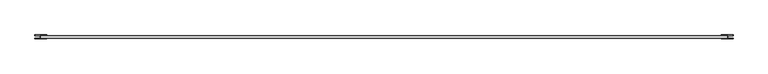
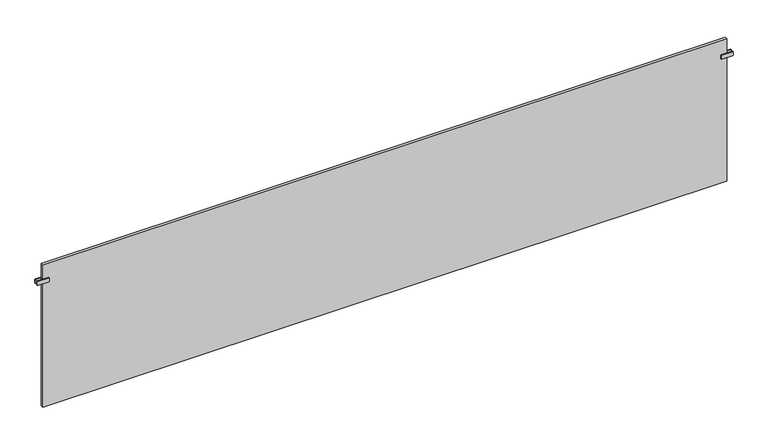
"""IFC4 building model written with IfcOpenShell, lengths in millimetres: plate geometry."""

import ifcopenshell
import ifcopenshell.guid

model = None  # the IFC model being written
_history = None  # IfcOwnerHistory: only IFC2X3 demands one
_inside = {}  # id of a spatial element -> (the spatial element, [elements in it])
_under = {}  # id of a project, library or spatial element -> (it, [spatial elements below it])
_declared = {}  # id of a project -> (the project, [libraries it declares])
_typed = {}  # id of a type object -> (the type object, [elements of that type])
_made_of = {}  # id of a material, layer set ... -> (it, [elements and type objects made of it])


def new_model(schema):
    """Start an empty IFC model of exactly this schema.

    Asked for "IFC4X3", IfcOpenShell would pick the latest addendum, in which some entities
    have other attributes; the version numbers below select the first issue.
    IFC2X3 requires an IfcOwnerHistory on every rooted entity: one is made here for all.
    """
    global model, _history
    if schema == "IFC4X3":
        model = ifcopenshell.file(schema_version=(4, 3, 0, 0))
    else:
        model = ifcopenshell.file(schema=schema)
    _inside.clear()
    _under.clear()
    _declared.clear()
    _typed.clear()
    _made_of.clear()
    _history = None
    if model.schema == "IFC2X3":
        org = make("IfcOrganization", Name="unknown")
        user = make(
            "IfcPersonAndOrganization",
            ThePerson=make("IfcPerson", FamilyName="unknown"),
            TheOrganization=org,
        )
        app = make(
            "IfcApplication",
            ApplicationDeveloper=org,
            Version="unknown",
            ApplicationFullName="unknown",
            ApplicationIdentifier="unknown",
        )
        _history = make(
            "IfcOwnerHistory",
            OwningUser=user,
            OwningApplication=app,
            ChangeAction="ADDED",
            CreationDate=0,
        )
    return model


def make(cls, **values):
    """One entity of the class cls with the attributes given. An attribute that is None is left unset."""
    return model.create_entity(
        cls, **{name: value for name, value in values.items() if value is not None}
    )


def rooted(cls, **values):
    """An entity with a GlobalId (a new one), such as an element, a storey or a relation."""
    return make(cls, GlobalId=ifcopenshell.guid.new(), OwnerHistory=_history, **values)


def si_unit(unit_type, name, prefix=None):
    """IfcSIUnit, for example si_unit("LENGTHUNIT", "METRE", prefix="MILLI")."""
    return make("IfcSIUnit", UnitType=unit_type, Prefix=prefix, Name=name)


def assignment(units):
    """IfcUnitAssignment: the units of a project."""
    return None if units is None else make("IfcUnitAssignment", Units=units)


def point(xyz):
    """IfcCartesianPoint."""
    return None if xyz is None else make("IfcCartesianPoint", Coordinates=xyz)


def direction(xyz):
    """IfcDirection."""
    return None if xyz is None else make("IfcDirection", DirectionRatios=xyz)


def frame(location, z_axis=None, x_axis=None):
    """IfcAxis2Placement3D, a coordinate frame: its origin and axes. An axis left out is left unset."""
    return make(
        "IfcAxis2Placement3D",
        Location=point(location),
        Axis=direction(z_axis),
        RefDirection=direction(x_axis),
    )


def frame_2d(location, x_axis=None):
    """IfcAxis2Placement2D, a coordinate frame in the plane: its origin and x axis."""
    return make(
        "IfcAxis2Placement2D", Location=point(location), RefDirection=direction(x_axis)
    )


def origin():
    """The frame at (0, 0, 0) with its axes left unset."""
    return frame((0.0, 0.0, 0.0))


def origin_with_axes():
    """The frame at (0, 0, 0) with the z axis (0, 0, 1) and the x axis (1, 0, 0) written out."""
    return frame((0.0, 0.0, 0.0), z_axis=(0.0, 0.0, 1.0), x_axis=(1.0, 0.0, 0.0))


def place(relative_to, where):
    """IfcLocalPlacement: puts the frame where relative to a parent placement (None: the world)."""
    return make(
        "IfcLocalPlacement", PlacementRelTo=relative_to, RelativePlacement=where
    )


def context(
    kind, dimensions, precision=None, world=None, true_north=None, identifier=None
):
    """IfcGeometricRepresentationContext, for example the 3D "Model" context."""
    return make(
        "IfcGeometricRepresentationContext",
        ContextIdentifier=identifier,
        ContextType=kind,
        CoordinateSpaceDimension=dimensions,
        Precision=precision,
        WorldCoordinateSystem=world,
        TrueNorth=true_north,
    )


def project(units=None, contexts=None):
    """IfcProject with its units and contexts."""
    return rooted(
        "IfcProject",
        Name="project",
        RepresentationContexts=contexts,
        UnitsInContext=assignment(units),
    )


def spatial(cls, under=None, at=None, **own):
    """A site, building, storey or space (cls), placed at a placement, below another one or the project."""
    s = rooted(cls, ObjectPlacement=at, **own)
    if under is not None:
        _under.setdefault(under.id(), (under, []))[1].append(s)
    return s


def polyline(points):
    """IfcPolyline through the points."""
    return make("IfcPolyline", Points=[point(p) for p in points])


def circle_curve(where, radius):
    """IfcCircle in the frame where."""
    return make("IfcCircle", Position=where, Radius=radius)


def trimmed(basis, trim1, trim2, sense, master):
    """IfcTrimmedCurve: the piece of a basis curve between two trims."""
    return make(
        "IfcTrimmedCurve",
        BasisCurve=basis,
        Trim1=trim1,
        Trim2=trim2,
        SenseAgreement=sense,
        MasterRepresentation=master,
    )


def segment(curve, same_sense, transition):
    """IfcCompositeCurveSegment."""
    return make(
        "IfcCompositeCurveSegment",
        Transition=transition,
        SameSense=same_sense,
        ParentCurve=curve,
    )


def composite_curve(segments, self_intersect=None):
    """IfcCompositeCurve: segments joined end to end."""
    return make("IfcCompositeCurve", Segments=segments, SelfIntersect=self_intersect)


def outline(outer, holes=None, kind="AREA"):
    """IfcArbitraryClosedProfileDef: a profile drawn as a closed curve; with holes, ...WithVoids."""
    if holes is None:
        return make("IfcArbitraryClosedProfileDef", ProfileType=kind, OuterCurve=outer)
    return make(
        "IfcArbitraryProfileDefWithVoids",
        ProfileType=kind,
        OuterCurve=outer,
        InnerCurves=holes,
    )


def extrude(swept, where, along, depth):
    """IfcExtrudedAreaSolid: the profile swept, set in the frame where, extruded along a direction by depth."""
    return make(
        "IfcExtrudedAreaSolid",
        SweptArea=swept,
        Position=where,
        ExtrudedDirection=direction(along),
        Depth=depth,
    )


def shape(context_of_items, identifier, shape_type, items):
    """IfcShapeRepresentation: the items that make up one representation, for example the "Body"."""
    return make(
        "IfcShapeRepresentation",
        ContextOfItems=context_of_items,
        RepresentationIdentifier=identifier,
        RepresentationType=shape_type,
        Items=items,
    )


def source(mapping_origin, context_of_items, identifier, shape_type, items):
    """IfcRepresentationMap: a shape defined once, which mapped items show again and again."""
    return make(
        "IfcRepresentationMap",
        MappingOrigin=mapping_origin,
        MappedRepresentation=shape(context_of_items, identifier, shape_type, items),
    )


def transform(
    local_origin,
    x_axis=None,
    y_axis=None,
    z_axis=None,
    scale=None,
    scale2=None,
    scale3=None,
    uniform=True,
):
    """IfcCartesianTransformationOperator3D, or its non-uniform kind. x_axis, y_axis, z_axis: its Axis1, 2, 3."""
    if uniform:
        return make(
            "IfcCartesianTransformationOperator3D",
            Axis1=direction(x_axis),
            Axis2=direction(y_axis),
            LocalOrigin=point(local_origin),
            Scale=scale,
            Axis3=direction(z_axis),
        )
    return make(
        "IfcCartesianTransformationOperator3DnonUniform",
        Axis1=direction(x_axis),
        Axis2=direction(y_axis),
        LocalOrigin=point(local_origin),
        Scale=scale,
        Axis3=direction(z_axis),
        Scale2=scale2,
        Scale3=scale3,
    )


def mapped(mapping_source, mapping_target):
    """IfcMappedItem: shows the shape of a source again, moved by a transform."""
    return make(
        "IfcMappedItem", MappingSource=mapping_source, MappingTarget=mapping_target
    )


def made_of(thing, what):
    """Note that an element or type object is made of a material, layer set ...; save() writes the relation."""
    if what is not None:
        _made_of.setdefault(what.id(), (what, []))[1].append(thing)
    return thing


def element(
    cls,
    number,
    at=None,
    inside=None,
    cuts=None,
    type_object=None,
    material=None,
    context=None,
    identifier="Body",
    shape_type=None,
    held_by="IfcProductDefinitionShape",
    body=None,
    shapes=None,
    **own,
):
    """One element of the class cls, such as IfcWall. Its Tag is "e" and its number.

    at: its placement. inside: the storey or other place that contains it. cuts: it is an
    opening in that element (IfcRelVoidsElement). A single representation is given by context,
    identifier, shape_type and body (its items); several are given by shapes. held_by: the class
    of the entity that holds the representations. save() writes the other relations.
    """
    e = rooted(cls, Tag="e%d" % number, ObjectPlacement=at, **own)
    if body is not None:
        shapes = [shape(context, identifier, shape_type, body)]
    if shapes is not None:
        e.Representation = make(held_by, Representations=shapes)
    if inside is not None:
        _inside.setdefault(inside.id(), (inside, []))[1].append(e)
    if cuts is not None:
        rooted(
            "IfcRelVoidsElement", RelatingBuildingElement=cuts, RelatedOpeningElement=e
        )
    if type_object is not None:
        _typed.setdefault(type_object.id(), (type_object, []))[1].append(e)
    return made_of(e, material)


def aggregate(whole, parts):
    """IfcRelAggregates: a whole, such as a stair, and the parts it consists of."""
    return rooted("IfcRelAggregates", RelatingObject=whole, RelatedObjects=parts)


def save(model, path):
    """Write the relations noted so far, then the file.

    IfcRelAggregates (storeys below a building ...), IfcRelContainedInSpatialStructure (elements
    in a storey), IfcRelDefinesByType, IfcRelAssociatesMaterial and IfcRelDeclares: one each for
    every whole, place, type object, material and project.
    """
    for whole, parts in _under.values():
        aggregate(whole, parts)
    for where, things in _inside.values():
        rooted(
            "IfcRelContainedInSpatialStructure",
            RelatedElements=things,
            RelatingStructure=where,
        )
    for kind, things in _typed.values():
        rooted("IfcRelDefinesByType", RelatedObjects=things, RelatingType=kind)
    for what, things in _made_of.values():
        rooted("IfcRelAssociatesMaterial", RelatedObjects=things, RelatingMaterial=what)
    for by, libraries in _declared.values():
        rooted("IfcRelDeclares", RelatingContext=by, RelatedDefinitions=libraries)
    model.write(path)


def plate_2daee776(model_context):
    return source(origin(), model_context, "Body", "SweptSolid", [
        extrude(outline(polyline([(-1997.5, -6.75), (-1997.5, 6.75), (-1992.5, 6.75), (-1992.5, -6.75), (-1997.5, -6.75)])), frame((0.0, 0.0, 766.5), z_axis=(0.0, 0.0, 1.0), x_axis=(1.0, 0.0, 0.0)), (0.0, 0.0, 1.0), 25.0),
        extrude(outline(composite_curve([segment(trimmed(circle_curve(frame_2d((769.5, -1963.0)), 3.0), [point((766.5, -1963.0))], [point((769.5, -1960.0))], False, "CARTESIAN"), True, "CONTINUOUS"), segment(polyline([(769.5, -1960.0), (788.5, -1960.0)]), True, "CONTINUOUS"), segment(trimmed(circle_curve(frame_2d((788.5, -1963.0)), 3.0), [point((788.5, -1960.0))], [point((791.5, -1963.0))], False, "CARTESIAN"), True, "CONTINUOUS"), segment(polyline([(791.5, -1963.0), (791.5, -2027.0)]), True, "CONTINUOUS"), segment(trimmed(circle_curve(frame_2d((788.5, -2027.0)), 3.0), [point((791.5, -2027.0))], [point((788.5, -2030.0))], False, "CARTESIAN"), True, "CONTINUOUS"), segment(polyline([(788.5, -2030.0), (769.5, -2030.0)]), True, "CONTINUOUS"), segment(trimmed(circle_curve(frame_2d((769.5, -2027.0)), 3.0), [point((769.5, -2030.0))], [point((766.5, -2027.0))], False, "CARTESIAN"), True, "CONTINUOUS"), segment(polyline([(766.5, -2027.0), (766.5, -1963.0)]), True, "CONTINUOUS")], self_intersect=False)), frame((0.0, 6.75, 0.0), z_axis=(0.0, 1.0, 0.0), x_axis=(0.0, 0.0, 1.0)), (0.0, 0.0, 1.0), 5.0),
        extrude(outline(composite_curve([segment(trimmed(circle_curve(frame_2d((769.5, -1963.0)), 3.0), [point((766.5, -1963.0))], [point((769.5, -1960.0))], False, "CARTESIAN"), True, "CONTINUOUS"), segment(polyline([(769.5, -1960.0), (788.5, -1960.0)]), True, "CONTINUOUS"), segment(trimmed(circle_curve(frame_2d((788.5, -1963.0)), 3.0), [point((788.5, -1960.0))], [point((791.5, -1963.0))], False, "CARTESIAN"), True, "CONTINUOUS"), segment(polyline([(791.5, -1963.0), (791.5, -2027.0)]), True, "CONTINUOUS"), segment(trimmed(circle_curve(frame_2d((788.5, -2027.0)), 3.0), [point((791.5, -2027.0))], [point((788.5, -2030.0))], False, "CARTESIAN"), True, "CONTINUOUS"), segment(polyline([(788.5, -2030.0), (769.5, -2030.0)]), True, "CONTINUOUS"), segment(trimmed(circle_curve(frame_2d((769.5, -2027.0)), 3.0), [point((769.5, -2030.0))], [point((766.5, -2027.0))], False, "CARTESIAN"), True, "CONTINUOUS"), segment(polyline([(766.5, -2027.0), (766.5, -1963.0)]), True, "CONTINUOUS")], self_intersect=False)), frame((0.0, -11.75, 0.0), z_axis=(0.0, 1.0, 0.0), x_axis=(0.0, 0.0, 1.0)), (0.0, 0.0, 1.0), 5.0),
        extrude(outline(polyline([(1997.5, -6.75), (1992.5, -6.75), (1992.5, 6.75), (1997.5, 6.75), (1997.5, -6.75)])), frame((0.0, 0.0, 766.5), z_axis=(0.0, 0.0, 1.0), x_axis=(1.0, 0.0, 0.0)), (0.0, 0.0, 1.0), 25.0),
        extrude(outline(composite_curve([segment(polyline([(766.5, 1963.0), (766.5, 2027.0)]), True, "CONTINUOUS"), segment(trimmed(circle_curve(frame_2d((769.5, 2027.0)), 3.0), [point((766.5, 2027.0))], [point((769.5, 2030.0))], False, "CARTESIAN"), True, "CONTINUOUS"), segment(polyline([(769.5, 2030.0), (788.5, 2030.0)]), True, "CONTINUOUS"), segment(trimmed(circle_curve(frame_2d((788.5, 2027.0)), 3.0), [point((788.5, 2030.0))], [point((791.5, 2027.0))], False, "CARTESIAN"), True, "CONTINUOUS"), segment(polyline([(791.5, 2027.0), (791.5, 1963.0)]), True, "CONTINUOUS"), segment(trimmed(circle_curve(frame_2d((788.5, 1963.0)), 3.0), [point((791.5, 1963.0))], [point((788.5, 1960.0))], False, "CARTESIAN"), True, "CONTINUOUS"), segment(polyline([(788.5, 1960.0), (769.5, 1960.0)]), True, "CONTINUOUS"), segment(trimmed(circle_curve(frame_2d((769.5, 1963.0)), 3.0), [point((769.5, 1960.0))], [point((766.5, 1963.0))], False, "CARTESIAN"), True, "CONTINUOUS")], self_intersect=False)), frame((0.0, 6.75, 0.0), z_axis=(0.0, 1.0, 0.0), x_axis=(0.0, 0.0, 1.0)), (0.0, 0.0, 1.0), 5.0),
        extrude(outline(composite_curve([segment(polyline([(766.5, 1963.0), (766.5, 2027.0)]), True, "CONTINUOUS"), segment(trimmed(circle_curve(frame_2d((769.5, 2027.0)), 3.0), [point((766.5, 2027.0))], [point((769.5, 2030.0))], False, "CARTESIAN"), True, "CONTINUOUS"), segment(polyline([(769.5, 2030.0), (788.5, 2030.0)]), True, "CONTINUOUS"), segment(trimmed(circle_curve(frame_2d((788.5, 2027.0)), 3.0), [point((788.5, 2030.0))], [point((791.5, 2027.0))], False, "CARTESIAN"), True, "CONTINUOUS"), segment(polyline([(791.5, 2027.0), (791.5, 1963.0)]), True, "CONTINUOUS"), segment(trimmed(circle_curve(frame_2d((788.5, 1963.0)), 3.0), [point((791.5, 1963.0))], [point((788.5, 1960.0))], False, "CARTESIAN"), True, "CONTINUOUS"), segment(polyline([(788.5, 1960.0), (769.5, 1960.0)]), True, "CONTINUOUS"), segment(trimmed(circle_curve(frame_2d((769.5, 1963.0)), 3.0), [point((769.5, 1960.0))], [point((766.5, 1963.0))], False, "CARTESIAN"), True, "CONTINUOUS")], self_intersect=False)), frame((0.0, -11.75, 0.0), z_axis=(0.0, 1.0, 0.0), x_axis=(0.0, 0.0, 1.0)), (0.0, 0.0, 1.0), 5.0),
        extrude(outline(polyline([(1995.0, 6.75), (1995.0, -6.75), (-1995.0, -6.75), (-1995.0, 6.75), (1995.0, 6.75)])), origin_with_axes(), (0.0, 0.0, 1.0), 879.0),
    ])


if __name__ == "__main__":
    model = new_model("IFC4")
    model_context = context("Model", 3, world=origin())
    ifc_project = project(units=[si_unit("LENGTHUNIT", "METRE", prefix="MILLI")], contexts=[model_context])
    site = spatial("IfcSite", under=ifc_project)
    building = spatial("IfcBuilding", under=site)
    placement = place(None, origin())
    plate_shape = plate_2daee776(model_context)
    element("IfcPlate", 1, at=placement, inside=building, context=model_context, shape_type="MappedRepresentation", body=[
        mapped(plate_shape, transform((0.0, 0.0, 0.0), x_axis=(1.0, 0.0, 0.0), y_axis=(0.0, 1.0, 0.0), z_axis=(0.0, 0.0, 1.0))),
    ])
    save(model, "model.ifc")
